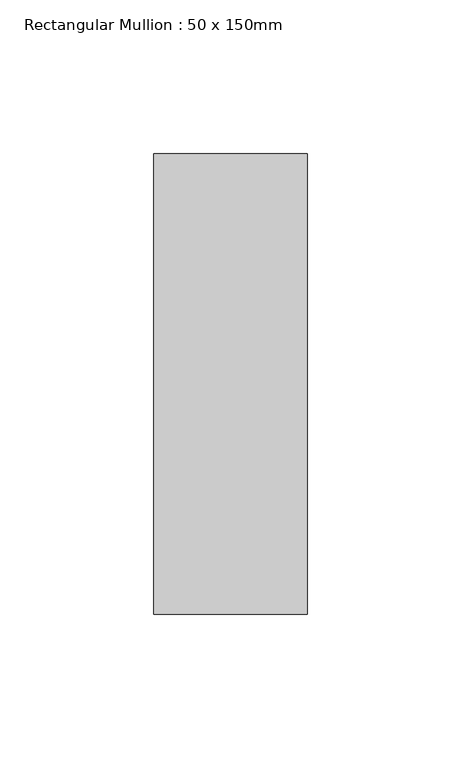
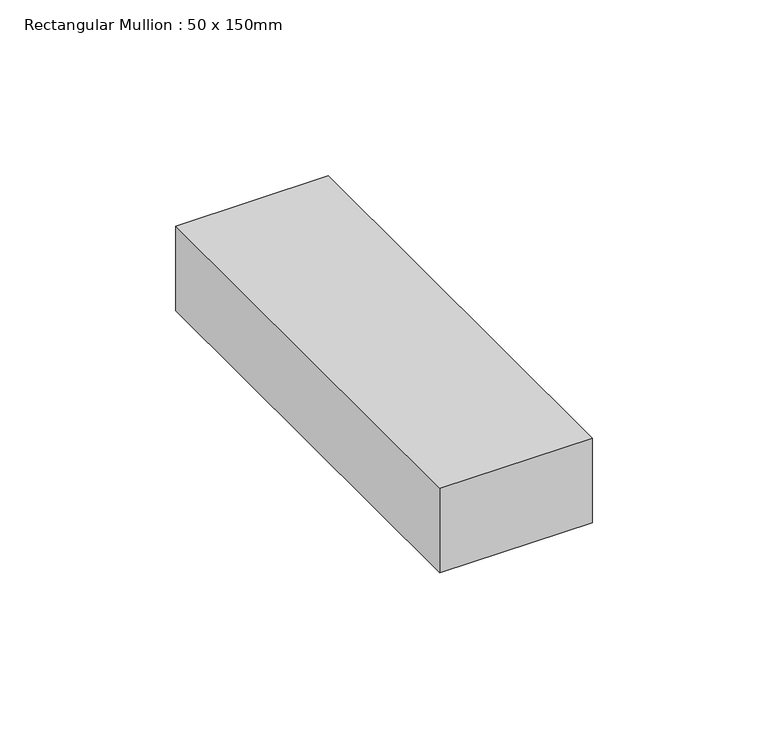
"""IFC4 building model written with IfcOpenShell, lengths in millimetres: member geometry, Rectangular Mullion : 50 x 150mm."""

from ifc_helpers import new_model, si_unit, frame, origin, place, context, project, spatial, polyline, outline, extrude, source, transform, mapped, element, save


def rectangular_mullion_50_x_150mm_ad89c61f(model_context):
    return source(origin(), model_context, "Body", "SweptSolid", [
        extrude(outline(polyline([(0.0, 75.0), (0.0, -75.0), (-50.0, -75.0), (-50.0, 75.0), (0.0, 75.0)])), frame((0.0, 0.0, -29.322173), z_axis=(0.0, 0.0, 1.0), x_axis=(1.0, 0.0, 0.0)), (0.0, 0.0, 1.0), 29.322173),
    ])


if __name__ == "__main__":
    model = new_model("IFC4")
    model_context = context("Model", 3, world=origin())
    ifc_project = project(units=[si_unit("LENGTHUNIT", "METRE", prefix="MILLI")], contexts=[model_context])
    site = spatial("IfcSite", under=ifc_project)
    building = spatial("IfcBuilding", under=site)
    placement = place(None, origin())
    rectangular_mullion_50_x_150mm_shape = rectangular_mullion_50_x_150mm_ad89c61f(model_context)
    element("IfcMember", 1, ObjectType="Rectangular Mullion : 50 x 150mm", at=placement, inside=building, context=model_context, shape_type="MappedRepresentation", body=[
        mapped(rectangular_mullion_50_x_150mm_shape, transform((0.0, 0.0, 0.0), x_axis=(1.0, 0.0, 0.0), y_axis=(0.0, 1.0, 0.0), z_axis=(0.0, 0.0, 1.0))),
    ])
    save(model, "model.ifc")
